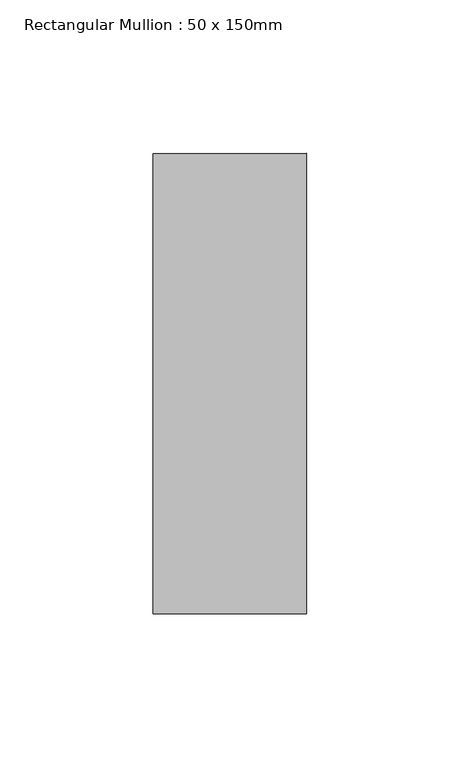
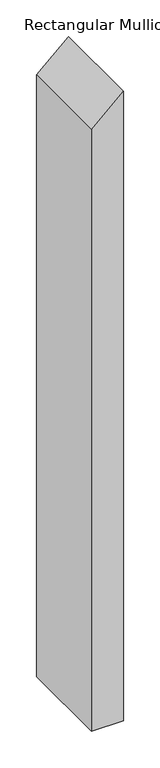
"""IFC4 building model written with IfcOpenShell, lengths in millimetres: member geometry, Rectangular Mullion : 50 x 150mm."""

from ifc_helpers import new_model, si_unit, frame, origin, place, context, project, spatial, polyline, outline, extrude, source, transform, mapped, element, save


def rectangular_mullion_50_x_150mm_c12947b6(model_context):
    return source(origin(), model_context, "Body", "SweptSolid", [
        extrude(outline(polyline([(0.0, 0.0), (-45.8165587, -50.0), (-1045.6456642, -50.0), (-1045.6456642, 0.0), (0.0, 0.0)])), frame((0.0, -75.0, 0.0), z_axis=(0.0, 1.0, 0.0), x_axis=(0.0, 0.0, 1.0)), (0.0, 0.0, 1.0), 150.0),
    ])


if __name__ == "__main__":
    model = new_model("IFC4")
    model_context = context("Model", 3, world=origin())
    ifc_project = project(units=[si_unit("LENGTHUNIT", "METRE", prefix="MILLI")], contexts=[model_context])
    site = spatial("IfcSite", under=ifc_project)
    building = spatial("IfcBuilding", under=site)
    placement = place(None, origin())
    rectangular_mullion_50_x_150mm_shape = rectangular_mullion_50_x_150mm_c12947b6(model_context)
    element("IfcMember", 1, ObjectType="Rectangular Mullion : 50 x 150mm", at=placement, inside=building, context=model_context, shape_type="MappedRepresentation", body=[
        mapped(rectangular_mullion_50_x_150mm_shape, transform((0.0, 0.0, 0.0), x_axis=(1.0, 0.0, 0.0), y_axis=(0.0, 1.0, 0.0), z_axis=(0.0, 0.0, 1.0))),
    ])
    save(model, "model.ifc")
